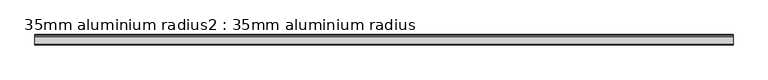
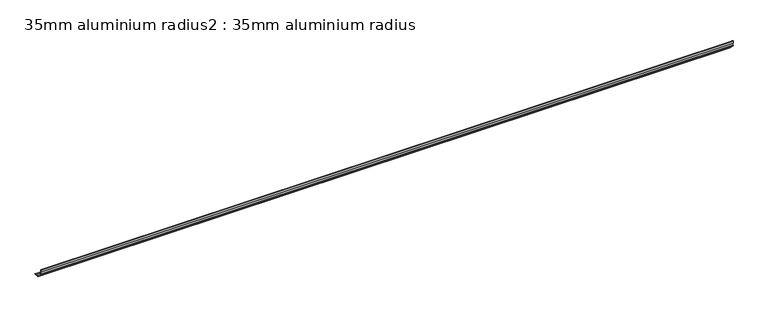
"""IFC4 building model written with IfcOpenShell, lengths in millimetres: proxy geometry, 35mm aluminium radius2 : 35mm aluminium radius."""

import ifcopenshell
import ifcopenshell.guid

model = None  # the IFC model being written
_history = None  # IfcOwnerHistory: only IFC2X3 demands one
_inside = {}  # id of a spatial element -> (the spatial element, [elements in it])
_under = {}  # id of a project, library or spatial element -> (it, [spatial elements below it])
_declared = {}  # id of a project -> (the project, [libraries it declares])
_typed = {}  # id of a type object -> (the type object, [elements of that type])
_made_of = {}  # id of a material, layer set ... -> (it, [elements and type objects made of it])


def new_model(schema):
    """Start an empty IFC model of exactly this schema.

    Asked for "IFC4X3", IfcOpenShell would pick the latest addendum, in which some entities
    have other attributes; the version numbers below select the first issue.
    IFC2X3 requires an IfcOwnerHistory on every rooted entity: one is made here for all.
    """
    global model, _history
    if schema == "IFC4X3":
        model = ifcopenshell.file(schema_version=(4, 3, 0, 0))
    else:
        model = ifcopenshell.file(schema=schema)
    _inside.clear()
    _under.clear()
    _declared.clear()
    _typed.clear()
    _made_of.clear()
    _history = None
    if model.schema == "IFC2X3":
        org = make("IfcOrganization", Name="unknown")
        user = make(
            "IfcPersonAndOrganization",
            ThePerson=make("IfcPerson", FamilyName="unknown"),
            TheOrganization=org,
        )
        app = make(
            "IfcApplication",
            ApplicationDeveloper=org,
            Version="unknown",
            ApplicationFullName="unknown",
            ApplicationIdentifier="unknown",
        )
        _history = make(
            "IfcOwnerHistory",
            OwningUser=user,
            OwningApplication=app,
            ChangeAction="ADDED",
            CreationDate=0,
        )
    return model


def make(cls, **values):
    """One entity of the class cls with the attributes given. An attribute that is None is left unset."""
    return model.create_entity(
        cls, **{name: value for name, value in values.items() if value is not None}
    )


def rooted(cls, **values):
    """An entity with a GlobalId (a new one), such as an element, a storey or a relation."""
    return make(cls, GlobalId=ifcopenshell.guid.new(), OwnerHistory=_history, **values)


def si_unit(unit_type, name, prefix=None):
    """IfcSIUnit, for example si_unit("LENGTHUNIT", "METRE", prefix="MILLI")."""
    return make("IfcSIUnit", UnitType=unit_type, Prefix=prefix, Name=name)


def assignment(units):
    """IfcUnitAssignment: the units of a project."""
    return None if units is None else make("IfcUnitAssignment", Units=units)


def point(xyz):
    """IfcCartesianPoint."""
    return None if xyz is None else make("IfcCartesianPoint", Coordinates=xyz)


def direction(xyz):
    """IfcDirection."""
    return None if xyz is None else make("IfcDirection", DirectionRatios=xyz)


def frame(location, z_axis=None, x_axis=None):
    """IfcAxis2Placement3D, a coordinate frame: its origin and axes. An axis left out is left unset."""
    return make(
        "IfcAxis2Placement3D",
        Location=point(location),
        Axis=direction(z_axis),
        RefDirection=direction(x_axis),
    )


def frame_2d(location, x_axis=None):
    """IfcAxis2Placement2D, a coordinate frame in the plane: its origin and x axis."""
    return make(
        "IfcAxis2Placement2D", Location=point(location), RefDirection=direction(x_axis)
    )


def origin():
    """The frame at (0, 0, 0) with its axes left unset."""
    return frame((0.0, 0.0, 0.0))


def place(relative_to, where):
    """IfcLocalPlacement: puts the frame where relative to a parent placement (None: the world)."""
    return make(
        "IfcLocalPlacement", PlacementRelTo=relative_to, RelativePlacement=where
    )


def context(
    kind, dimensions, precision=None, world=None, true_north=None, identifier=None
):
    """IfcGeometricRepresentationContext, for example the 3D "Model" context."""
    return make(
        "IfcGeometricRepresentationContext",
        ContextIdentifier=identifier,
        ContextType=kind,
        CoordinateSpaceDimension=dimensions,
        Precision=precision,
        WorldCoordinateSystem=world,
        TrueNorth=true_north,
    )


def project(units=None, contexts=None):
    """IfcProject with its units and contexts."""
    return rooted(
        "IfcProject",
        Name="project",
        RepresentationContexts=contexts,
        UnitsInContext=assignment(units),
    )


def spatial(cls, under=None, at=None, **own):
    """A site, building, storey or space (cls), placed at a placement, below another one or the project."""
    s = rooted(cls, ObjectPlacement=at, **own)
    if under is not None:
        _under.setdefault(under.id(), (under, []))[1].append(s)
    return s


def polyline(points):
    """IfcPolyline through the points."""
    return make("IfcPolyline", Points=[point(p) for p in points])


def circle_curve(where, radius):
    """IfcCircle in the frame where."""
    return make("IfcCircle", Position=where, Radius=radius)


def trimmed(basis, trim1, trim2, sense, master):
    """IfcTrimmedCurve: the piece of a basis curve between two trims."""
    return make(
        "IfcTrimmedCurve",
        BasisCurve=basis,
        Trim1=trim1,
        Trim2=trim2,
        SenseAgreement=sense,
        MasterRepresentation=master,
    )


def segment(curve, same_sense, transition):
    """IfcCompositeCurveSegment."""
    return make(
        "IfcCompositeCurveSegment",
        Transition=transition,
        SameSense=same_sense,
        ParentCurve=curve,
    )


def composite_curve(segments, self_intersect=None):
    """IfcCompositeCurve: segments joined end to end."""
    return make("IfcCompositeCurve", Segments=segments, SelfIntersect=self_intersect)


def outline(outer, holes=None, kind="AREA"):
    """IfcArbitraryClosedProfileDef: a profile drawn as a closed curve; with holes, ...WithVoids."""
    if holes is None:
        return make("IfcArbitraryClosedProfileDef", ProfileType=kind, OuterCurve=outer)
    return make(
        "IfcArbitraryProfileDefWithVoids",
        ProfileType=kind,
        OuterCurve=outer,
        InnerCurves=holes,
    )


def extrude(swept, where, along, depth):
    """IfcExtrudedAreaSolid: the profile swept, set in the frame where, extruded along a direction by depth."""
    return make(
        "IfcExtrudedAreaSolid",
        SweptArea=swept,
        Position=where,
        ExtrudedDirection=direction(along),
        Depth=depth,
    )


def shape(context_of_items, identifier, shape_type, items):
    """IfcShapeRepresentation: the items that make up one representation, for example the "Body"."""
    return make(
        "IfcShapeRepresentation",
        ContextOfItems=context_of_items,
        RepresentationIdentifier=identifier,
        RepresentationType=shape_type,
        Items=items,
    )


def source(mapping_origin, context_of_items, identifier, shape_type, items):
    """IfcRepresentationMap: a shape defined once, which mapped items show again and again."""
    return make(
        "IfcRepresentationMap",
        MappingOrigin=mapping_origin,
        MappedRepresentation=shape(context_of_items, identifier, shape_type, items),
    )


def transform(
    local_origin,
    x_axis=None,
    y_axis=None,
    z_axis=None,
    scale=None,
    scale2=None,
    scale3=None,
    uniform=True,
):
    """IfcCartesianTransformationOperator3D, or its non-uniform kind. x_axis, y_axis, z_axis: its Axis1, 2, 3."""
    if uniform:
        return make(
            "IfcCartesianTransformationOperator3D",
            Axis1=direction(x_axis),
            Axis2=direction(y_axis),
            LocalOrigin=point(local_origin),
            Scale=scale,
            Axis3=direction(z_axis),
        )
    return make(
        "IfcCartesianTransformationOperator3DnonUniform",
        Axis1=direction(x_axis),
        Axis2=direction(y_axis),
        LocalOrigin=point(local_origin),
        Scale=scale,
        Axis3=direction(z_axis),
        Scale2=scale2,
        Scale3=scale3,
    )


def mapped(mapping_source, mapping_target):
    """IfcMappedItem: shows the shape of a source again, moved by a transform."""
    return make(
        "IfcMappedItem", MappingSource=mapping_source, MappingTarget=mapping_target
    )


def made_of(thing, what):
    """Note that an element or type object is made of a material, layer set ...; save() writes the relation."""
    if what is not None:
        _made_of.setdefault(what.id(), (what, []))[1].append(thing)
    return thing


def element(
    cls,
    number,
    at=None,
    inside=None,
    cuts=None,
    type_object=None,
    material=None,
    context=None,
    identifier="Body",
    shape_type=None,
    held_by="IfcProductDefinitionShape",
    body=None,
    shapes=None,
    **own,
):
    """One element of the class cls, such as IfcWall. Its Tag is "e" and its number.

    at: its placement. inside: the storey or other place that contains it. cuts: it is an
    opening in that element (IfcRelVoidsElement). A single representation is given by context,
    identifier, shape_type and body (its items); several are given by shapes. held_by: the class
    of the entity that holds the representations. save() writes the other relations.
    """
    e = rooted(cls, Tag="e%d" % number, ObjectPlacement=at, **own)
    if body is not None:
        shapes = [shape(context, identifier, shape_type, body)]
    if shapes is not None:
        e.Representation = make(held_by, Representations=shapes)
    if inside is not None:
        _inside.setdefault(inside.id(), (inside, []))[1].append(e)
    if cuts is not None:
        rooted(
            "IfcRelVoidsElement", RelatingBuildingElement=cuts, RelatedOpeningElement=e
        )
    if type_object is not None:
        _typed.setdefault(type_object.id(), (type_object, []))[1].append(e)
    return made_of(e, material)


def aggregate(whole, parts):
    """IfcRelAggregates: a whole, such as a stair, and the parts it consists of."""
    return rooted("IfcRelAggregates", RelatingObject=whole, RelatedObjects=parts)


def save(model, path):
    """Write the relations noted so far, then the file.

    IfcRelAggregates (storeys below a building ...), IfcRelContainedInSpatialStructure (elements
    in a storey), IfcRelDefinesByType, IfcRelAssociatesMaterial and IfcRelDeclares: one each for
    every whole, place, type object, material and project.
    """
    for whole, parts in _under.values():
        aggregate(whole, parts)
    for where, things in _inside.values():
        rooted(
            "IfcRelContainedInSpatialStructure",
            RelatedElements=things,
            RelatingStructure=where,
        )
    for kind, things in _typed.values():
        rooted("IfcRelDefinesByType", RelatedObjects=things, RelatingType=kind)
    for what, things in _made_of.values():
        rooted("IfcRelAssociatesMaterial", RelatedObjects=things, RelatingMaterial=what)
    for by, libraries in _declared.values():
        rooted("IfcRelDeclares", RelatingContext=by, RelatedDefinitions=libraries)
    model.write(path)


def proxy_35mm_aluminium_radius2_35mm_aluminium_radius_293a2b0f(model_context):
    return source(origin(), model_context, "Body", "SweptSolid", [
        extrude(outline(composite_curve([segment(trimmed(circle_curve(frame_2d((740.6503008, 34.9)), 0.5), [point((740.2836342, 34.5600654))], [point((740.9969198, 35.2603544))], False, "CARTESIAN"), True, "CONTINUOUS"), segment(trimmed(circle_curve(frame_2d((738.9503008, 33.0668752)), 3.0), [point((740.9969198, 35.2603544))], [point((741.9503008, 33.0668752))], False, "CARTESIAN"), True, "CONTINUOUS"), segment(polyline([(741.9503008, 33.0668752), (741.9503008, 26.8)]), True, "CONTINUOUS"), segment(trimmed(circle_curve(frame_2d((766.9503008, 26.8)), 25.0), [point((741.9503008, 26.8))], [point((766.9503008, 1.8))], True, "CARTESIAN"), True, "CONTINUOUS"), segment(polyline([(766.9503008, 1.8), (773.2171761, 1.8)]), True, "CONTINUOUS"), segment(trimmed(circle_curve(frame_2d((773.2171761, -1.2)), 3.0), [point((773.2171761, 1.8))], [point((775.4230541, 0.8332491))], False, "CARTESIAN"), True, "CONTINUOUS"), segment(trimmed(circle_curve(frame_2d((775.0503008, 0.5)), 0.5), [point((775.4230541, 0.8332491))], [point((774.7103662, 0.1333333))], False, "CARTESIAN"), True, "CONTINUOUS"), segment(trimmed(circle_curve(frame_2d((773.4907866, -2.4514518)), 2.8580567), [point((774.7103662, 0.1333333))], [point((773.2965929, 0.4))], True, "CARTESIAN"), True, "CONTINUOUS"), segment(polyline([(773.2965929, 0.4), (766.9503008, 0.4)]), True, "CONTINUOUS"), segment(trimmed(circle_curve(frame_2d((766.9503008, 26.8)), 26.4), [point((766.9503008, 0.4))], [point((758.9503008, 1.6413037))], False, "CARTESIAN"), True, "CONTINUOUS"), segment(polyline([(758.9503008, 1.6413037), (758.9503008, 0.0), (757.5503008, 0.0), (757.5503008, 2.1301804)]), True, "CONTINUOUS"), segment(trimmed(circle_curve(frame_2d((766.9503008, 26.8)), 26.4), [point((757.5503008, 2.1301804))], [point((742.2804812, 17.4))], False, "CARTESIAN"), True, "CONTINUOUS"), segment(polyline([(742.2804812, 17.4), (740.1503008, 17.4), (740.1503008, 18.8), (741.7916045, 18.8)]), True, "CONTINUOUS"), segment(trimmed(circle_curve(frame_2d((766.9503008, 26.8)), 26.4), [point((741.7916045, 18.8))], [point((740.5503008, 26.8))], False, "CARTESIAN"), True, "CONTINUOUS"), segment(polyline([(740.5503008, 26.8), (740.5503008, 33.5084497)]), True, "CONTINUOUS"), segment(trimmed(circle_curve(frame_2d((739.374771, 33.7699793)), 1.2042709), [point((740.5503008, 33.5084497))], [point((740.2836342, 34.5600654))], True, "CARTESIAN"), True, "CONTINUOUS")], self_intersect=False)), frame((4244.6309284, 0.0, 0.0), z_axis=(1.0, 0.0, 0.0), x_axis=(0.0, 1.0, 0.0)), (0.0, 0.0, 1.0), 2400.0),
    ])


if __name__ == "__main__":
    model = new_model("IFC4")
    model_context = context("Model", 3, world=origin())
    ifc_project = project(units=[si_unit("LENGTHUNIT", "METRE", prefix="MILLI")], contexts=[model_context])
    site = spatial("IfcSite", under=ifc_project)
    building = spatial("IfcBuilding", under=site)
    placement = place(None, origin())
    proxy_35mm_aluminium_radius2_35mm_aluminium_radius_shape = proxy_35mm_aluminium_radius2_35mm_aluminium_radius_293a2b0f(model_context)
    element("IfcBuildingElementProxy", 1, Name="35mm aluminium radius2 : 35mm aluminium radius", ObjectType="35mm aluminium radius2 : 35mm aluminium radius", at=placement, inside=building, context=model_context, shape_type="MappedRepresentation", body=[
        mapped(proxy_35mm_aluminium_radius2_35mm_aluminium_radius_shape, transform((0.0, 0.0, 0.0), x_axis=(1.0, 0.0, 0.0), y_axis=(0.0, 1.0, 0.0), z_axis=(0.0, 0.0, 1.0))),
    ])
    save(model, "model.ifc")
